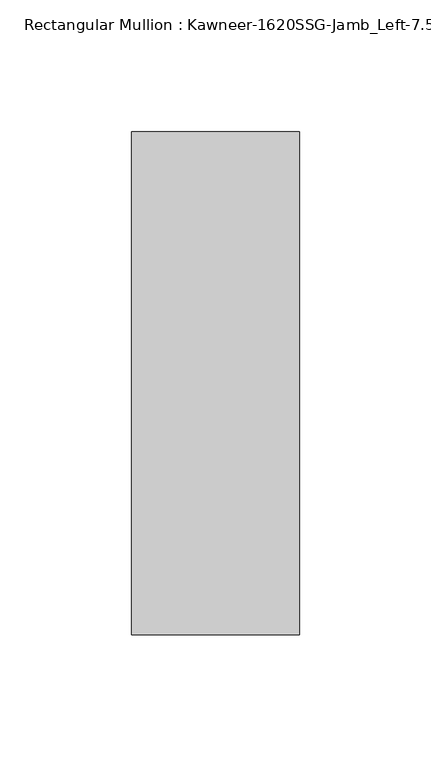
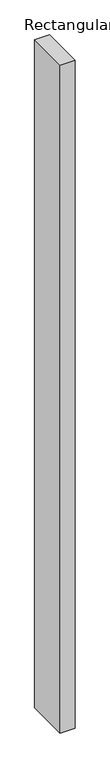
"""IFC4 building model written with IfcOpenShell, lengths in millimetres: member geometry."""

from ifc_helpers import new_model, si_unit, frame, origin, place, context, project, spatial, polyline, outline, extrude, source, transform, mapped, element, save


def member_d0da983e(model_context):
    return source(origin(), model_context, "Body", "SweptSolid", [
        extrude(outline(polyline([(-63.5, 28.575), (0.0, 28.575), (0.0, -161.925), (-63.5, -161.925), (-63.5, 28.575)])), frame((0.0, 0.0, -3048.0), z_axis=(0.0, 0.0, 1.0), x_axis=(1.0, 0.0, 0.0)), (0.0, 0.0, 1.0), 3048.0),
    ])


if __name__ == "__main__":
    model = new_model("IFC4")
    model_context = context("Model", 3, world=origin())
    ifc_project = project(units=[si_unit("LENGTHUNIT", "METRE", prefix="MILLI")], contexts=[model_context])
    site = spatial("IfcSite", under=ifc_project)
    building = spatial("IfcBuilding", under=site)
    placement = place(None, origin())
    member_shape = member_d0da983e(model_context)
    element("IfcMember", 1, ObjectType="Rectangular Mullion : Kawneer-1620SSG-Jamb_Left-7.5\"-1/4\"Infill", at=placement, inside=building, context=model_context, shape_type="MappedRepresentation", body=[
        mapped(member_shape, transform((0.0, 0.0, 0.0), x_axis=(1.0, 0.0, 0.0), y_axis=(0.0, 1.0, 0.0), z_axis=(0.0, 0.0, 1.0))),
    ])
    save(model, "model.ifc")
